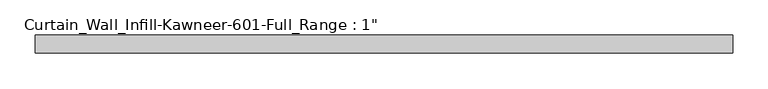
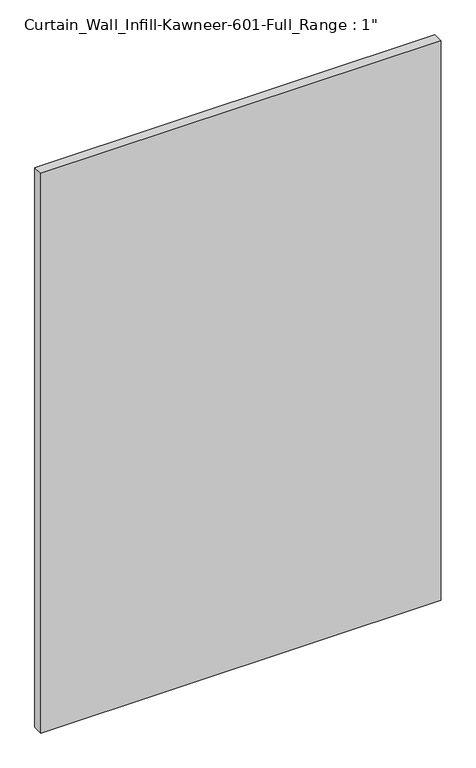
"""IFC4 building model written with IfcOpenShell, lengths in millimetres: plate geometry."""

from ifc_helpers import new_model, si_unit, origin, origin_with_axes, place, context, project, spatial, polyline, outline, extrude, source, transform, mapped, element, save


def plate_d9b74145(model_context):
    return source(origin(), model_context, "Body", "SweptSolid", [
        extrude(outline(polyline([(-492.125, 12.7), (492.125, 12.7), (492.125, -12.7), (-492.125, -12.7), (-492.125, 12.7)])), origin_with_axes(), (0.0, 0.0, 1.0), 1454.15),
    ])


if __name__ == "__main__":
    model = new_model("IFC4")
    model_context = context("Model", 3, world=origin())
    ifc_project = project(units=[si_unit("LENGTHUNIT", "METRE", prefix="MILLI")], contexts=[model_context])
    site = spatial("IfcSite", under=ifc_project)
    building = spatial("IfcBuilding", under=site)
    placement = place(None, origin())
    plate_shape = plate_d9b74145(model_context)
    element("IfcPlate", 1, ObjectType="Curtain_Wall_Infill-Kawneer-601-Full_Range : 1\"", at=placement, inside=building, context=model_context, shape_type="MappedRepresentation", body=[
        mapped(plate_shape, transform((0.0, 0.0, 0.0), x_axis=(1.0, 0.0, 0.0), y_axis=(0.0, 1.0, 0.0), z_axis=(0.0, 0.0, 1.0))),
    ])
    save(model, "model.ifc")
